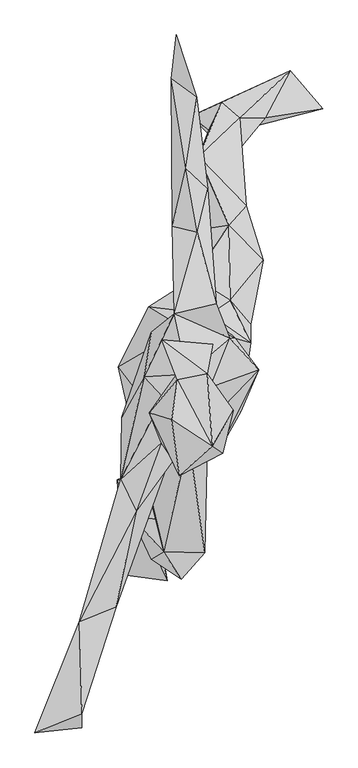
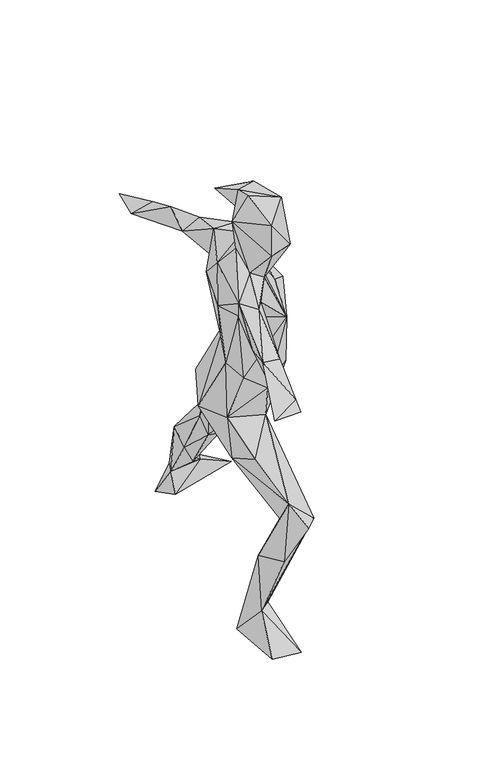
"""IFC4 building model written with IfcOpenShell, lengths in millimetres: geographic element geometry."""

from ifc_helpers import new_model, si_unit, origin, place, context, project, spatial, faceted_brep, source, transform, mapped, element, save


def geographic_element_bd015d8b(model_context):
    return source(origin(), model_context, "Body", "Brep", [
        faceted_brep([(-74.1219437, -445.3111534, 13.7227474), (-163.9290879, -432.7063209, 13.346697), (-114.1034798, -214.1512904, 5.2575096), (-134.9393113, -318.2740172, 107.4825288), (-175.1181313, -240.6104326, 10.0742391), (-125.6880745, -247.2355037, 103.4035074), (-101.1050853, -296.978917, 114.0818954), (-105.9680493, -401.0246048, 323.9867051), (-145.5992144, -316.4153358, 308.642622), (2.1360879, -388.7042951, 436.4164716), (-29.6863835, -334.4493467, 410.0015113), (-81.000789, -276.8982317, 313.7501141), (-22.3184728, -172.0069775, 490.4772579), (-75.2346879, -321.9081422, 421.4093931), (-81.5309574, -386.625762, 515.3653558), (-45.3880163, -442.4476271, 447.4893753), (-139.8372186, -150.7488471, 556.5593174), (-30.3871106, -161.3686661, 682.8043376), (-114.8905069, -244.903174, 601.0503695), (-70.0603938, 34.4938669, 600.1574919), (8.8484808, -81.8772157, 624.141447), (-52.8997735, 139.6594775, 589.3804954), (4.6985717, 31.8163071, 592.8481744), (-111.6427095, 109.039119, 710.3124769), (-172.7200278, -12.0377139, 671.0860646), (-9.3344682, 264.8307648, 412.9318246), (10.4585093, 247.5159883, 346.2887364), (-19.0881414, 167.4912849, 688.07613), (11.8558536, 94.2981679, 849.0472331), (-39.9363185, 65.8067159, 876.1464249), (53.4936481, 121.7796191, 769.6194554), (50.5479195, 274.1087045, 487.0290994), (94.2673448, 36.5672778, 849.8064771), (63.6644654, 45.0715603, 968.6424612), (94.7851825, 73.1664142, 745.7207349), (119.6147636, 203.0989205, 477.1809221), (-10.205754, 412.234182, 283.8890815), (85.2616642, 313.1254277, 368.182893), (51.6154499, 256.0983567, 333.3406705), (68.6733342, 17.4246838, 659.6474566), (73.5527268, -99.3820342, 801.5364905), (39.3023747, 388.5995102, 155.6231062), (72.7749532, 491.5694534, 108.1493484), (174.9722191, 586.014502, 12.4281485), (36.5693341, 522.7929289, 69.5035151), (123.7420722, 491.5550588, 71.1988276), (9.3437153, 465.8017697, 83.1348215), (-26.0378752, 324.6905168, 267.1466139), (-26.4036522, 494.5264696, 6.3332593), (240.7748222, 509.9085506, 10.1862316), (15.8978792, 452.0543758, 5.3510083), (-145.6238758, -133.9190437, 694.390944), (-27.0262897, -168.6595061, 780.3040646), (74.4425124, -102.9935541, 959.0593458), (24.5490872, -191.004706, 1031.8835846), (-99.8197335, -153.5784583, 832.9880135), (110.8207391, -18.4511149, 1043.0273881), (52.6983918, 45.3448663, 1120.16295), (13.2984061, -54.2580777, 1179.9250695), (38.4660247, -94.5293445, 1104.7006709), (-44.1879476, 99.297783, 1083.4385023), (-59.7128563, 95.0194362, 1205.3177208), (25.010416, 115.1042194, 1187.323794), (-33.5650403, -27.2009611, 1257.0400083), (7.8970528, 347.0243769, 1053.6585916), (-13.1268211, 259.2999307, 1130.0543407), (-23.7353385, 539.4130879, 969.1972613), (-14.3299753, 532.8250462, 1021.0367315), (-36.25185, 388.6241567, 1098.6027582), (-64.1216851, 271.6273632, 1090.4764994), (-65.8755592, 569.8063899, 973.2578277), (-55.4232106, 658.5253992, 987.9576442), (-88.6841256, 3.8129019, 895.610679), (-106.5670611, 57.6219738, 1090.2947053), (-120.1921985, -81.5689703, 851.7473831), (-166.5922532, -114.8843453, 1092.400895), (-120.8271667, -32.6721813, 1182.5975034), (-81.9141929, -73.7561723, 1246.0975493), (-168.1550273, -240.3854251, 1176.7656658), (-133.8008924, -180.0376006, 1084.2829809), (-212.3758469, -401.247556, 1120.9211211), (-252.2926597, -528.3422405, 1168.8110684), (-136.9387491, -304.1228316, 1182.9529854), (-86.5429033, -165.8257822, 1213.7900441), (-265.9239438, -629.9970072, 1115.6482559), (-176.8966593, -497.2132979, 1136.7307761), (-247.4193989, -714.1551883, 1146.6529228), (-72.0618954, -205.8555905, 1127.6438097), (-341.6980463, -752.9561427, 1126.6863207), (-246.6570257, -742.0660762, 1118.9144711), (-47.3134735, -182.0966281, 1194.1687913), (-47.092575, -226.1057915, 1297.4695999), (38.4403388, -187.3356379, 1286.7531617), (-19.3203462, -101.3424235, 1192.1169611), (59.7241588, -100.5410093, 1345.2197147), (16.637651, -173.0724552, 1453.6526023), (-50.0033641, -232.376364, 1410.8569448), (-35.5398166, -0.0369885, 1332.0054843), (6.8182199, -26.710862, 1426.0673347), (-65.4152549, -119.5315406, 1455.257517), (-53.4309701, -38.370471, 1424.1202894), (-110.7385443, -105.0926508, 1370.5835173), (-85.3582387, 42.3672865, 1391.600234), (17.5171548, 32.8519862, 1382.1290561)], [[[0, 1, 2]], [[1, 3, 4]], [[2, 1, 4]], [[3, 1, 0]], [[5, 2, 4]], [[6, 0, 2]], [[5, 6, 2]], [[6, 3, 0]], [[7, 8, 3]], [[3, 8, 4]], [[9, 3, 6]], [[9, 7, 3]], [[8, 5, 4]], [[10, 6, 5]], [[8, 11, 5]], [[11, 10, 5]], [[10, 9, 6]], [[12, 9, 10]], [[13, 10, 11]], [[10, 13, 12]], [[8, 13, 11]], [[14, 8, 7]], [[14, 13, 8]], [[15, 14, 7]], [[15, 7, 9]], [[16, 13, 14]], [[14, 17, 18]], [[17, 14, 9]], [[18, 16, 14]], [[15, 9, 14]], [[16, 19, 13]], [[13, 19, 12]], [[20, 9, 12]], [[19, 20, 12]], [[19, 21, 22]], [[23, 19, 24]], [[24, 19, 16]], [[19, 23, 21]], [[20, 19, 22]], [[21, 25, 26]], [[27, 21, 23]], [[21, 27, 25]], [[22, 21, 26]], [[28, 27, 23]], [[28, 23, 29]], [[24, 29, 23]], [[28, 30, 27]], [[25, 27, 31]], [[30, 31, 27]], [[28, 32, 30]], [[33, 28, 29]], [[33, 32, 28]], [[32, 34, 30]], [[30, 34, 35]], [[31, 30, 35]], [[25, 31, 36]], [[31, 37, 36]], [[35, 37, 31]], [[35, 22, 38]], [[39, 22, 35]], [[35, 38, 37]], [[34, 39, 35]], [[40, 39, 34]], [[32, 40, 34]], [[40, 20, 39]], [[39, 20, 22]], [[22, 26, 38]], [[38, 41, 42]], [[26, 41, 38]], [[37, 38, 42]], [[37, 42, 36]], [[42, 43, 44]], [[42, 45, 43]], [[36, 42, 44]], [[42, 41, 45]], [[41, 46, 45]], [[41, 47, 46]], [[26, 47, 41]], [[25, 47, 26]], [[25, 36, 47]], [[47, 36, 46]], [[36, 44, 46]], [[44, 43, 48]], [[46, 44, 48]], [[49, 48, 43]], [[43, 45, 49]], [[45, 46, 50]], [[50, 49, 45]], [[46, 48, 50]], [[50, 48, 49]], [[20, 17, 9]], [[40, 17, 20]], [[17, 51, 18]], [[52, 51, 17]], [[40, 52, 17]], [[53, 52, 40]], [[53, 40, 32]], [[54, 52, 53]], [[52, 55, 51]], [[54, 55, 52]], [[54, 53, 56]], [[33, 53, 32]], [[56, 53, 33]], [[57, 58, 56]], [[58, 59, 56]], [[57, 56, 33]], [[56, 59, 54]], [[60, 57, 33]], [[29, 60, 33]], [[61, 57, 62]], [[63, 57, 61]], [[62, 57, 60]], [[63, 58, 57]], [[62, 60, 64]], [[61, 62, 65]], [[65, 62, 64]], [[64, 66, 67]], [[68, 64, 67]], [[65, 64, 68]], [[64, 69, 66]], [[64, 60, 69]], [[69, 65, 68]], [[69, 61, 65]], [[68, 67, 70]], [[69, 68, 70]], [[67, 71, 70]], [[71, 67, 66]], [[66, 70, 71]], [[69, 70, 66]], [[61, 69, 60]], [[60, 29, 72]], [[73, 60, 72]], [[61, 60, 73]], [[24, 74, 29]], [[74, 72, 29]], [[75, 72, 74]], [[72, 75, 73]], [[76, 61, 73]], [[73, 75, 76]], [[76, 63, 61]], [[77, 63, 76]], [[78, 76, 75]], [[77, 76, 78]], [[75, 74, 79]], [[78, 75, 79]], [[78, 80, 81]], [[81, 82, 78]], [[78, 83, 77]], [[78, 79, 80]], [[78, 82, 83]], [[84, 80, 85]], [[85, 80, 79]], [[81, 80, 84]], [[85, 82, 81]], [[84, 85, 86]], [[81, 86, 85]], [[85, 79, 87]], [[82, 85, 87]], [[88, 81, 84]], [[88, 86, 81]], [[86, 89, 84]], [[89, 88, 84]], [[88, 89, 86]], [[90, 82, 87]], [[83, 82, 90]], [[87, 79, 54]], [[90, 87, 54]], [[91, 83, 90]], [[92, 90, 93]], [[91, 90, 92]], [[90, 54, 93]], [[79, 55, 54]], [[93, 54, 59]], [[93, 59, 58]], [[94, 92, 93]], [[58, 94, 93]], [[95, 96, 92]], [[92, 96, 91]], [[95, 92, 94]], [[97, 94, 63]], [[63, 94, 58]], [[97, 98, 94]], [[95, 94, 98]], [[95, 99, 96]], [[99, 95, 100]], [[95, 98, 100]], [[96, 99, 101]], [[96, 101, 91]], [[100, 101, 99]], [[100, 97, 101]], [[100, 102, 97]], [[100, 98, 102]], [[98, 97, 103]], [[102, 98, 103]], [[103, 97, 102]], [[97, 77, 101]], [[97, 63, 77]], [[91, 101, 83]], [[83, 101, 77]], [[55, 79, 74]], [[74, 51, 55]], [[74, 24, 51]], [[24, 16, 51]], [[51, 16, 18]]]),
    ])


if __name__ == "__main__":
    model = new_model("IFC4")
    model_context = context("Model", 3, world=origin())
    ifc_project = project(units=[si_unit("LENGTHUNIT", "METRE", prefix="MILLI")], contexts=[model_context])
    site = spatial("IfcSite", under=ifc_project)
    building = spatial("IfcBuilding", under=site)
    placement = place(None, origin())
    geographic_element_shape = geographic_element_bd015d8b(model_context)
    element("IfcGeographicElement", 1, at=placement, inside=building, context=model_context, shape_type="MappedRepresentation", body=[
        mapped(geographic_element_shape, transform((0.0, 0.0, 0.0), x_axis=(1.0, 0.0, 0.0), y_axis=(0.0, 1.0, 0.0), z_axis=(0.0, 0.0, 1.0))),
    ])
    save(model, "model.ifc")
